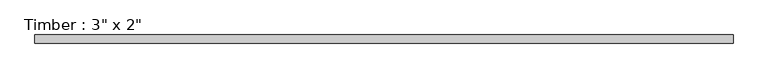
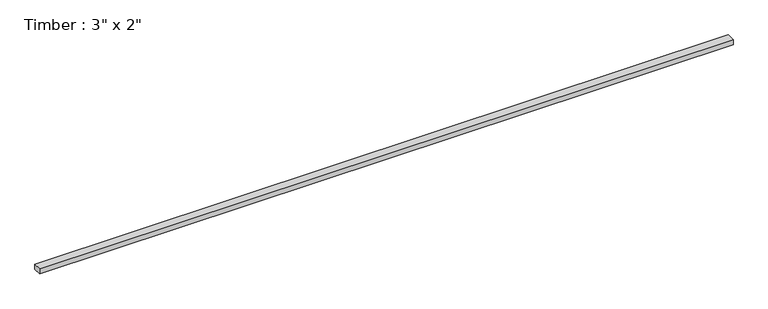
"""IFC4 building model written with IfcOpenShell, lengths in millimetres: beam geometry."""

from ifc_helpers import new_model, si_unit, frame, origin, place, context, project, spatial, polyline, outline, extrude, source, transform, mapped, element, save


def beam_ead7e7d7(model_context):
    return source(origin(), model_context, "Body", "SweptSolid", [
        extrude(outline(polyline([(3278.2539896, -38.1), (-3278.2539896, -38.1), (-3278.2539896, 38.1), (3278.2539896, 38.1), (3278.2539896, -38.1)])), frame((0.0, 0.0, -25.4), z_axis=(0.0, 0.0, 1.0), x_axis=(1.0, 0.0, 0.0)), (0.0, 0.0, 1.0), 50.8),
    ])


if __name__ == "__main__":
    model = new_model("IFC4")
    model_context = context("Model", 3, world=origin())
    ifc_project = project(units=[si_unit("LENGTHUNIT", "METRE", prefix="MILLI")], contexts=[model_context])
    site = spatial("IfcSite", under=ifc_project)
    building = spatial("IfcBuilding", under=site)
    placement = place(None, origin())
    beam_shape = beam_ead7e7d7(model_context)
    element("IfcBeam", 1, ObjectType="Timber : 3\" x 2\"", at=placement, inside=building, context=model_context, shape_type="MappedRepresentation", body=[
        mapped(beam_shape, transform((0.0, 0.0, 0.0), x_axis=(1.0, 0.0, 0.0), y_axis=(0.0, 1.0, 0.0), z_axis=(0.0, 0.0, 1.0))),
    ])
    save(model, "model.ifc")
